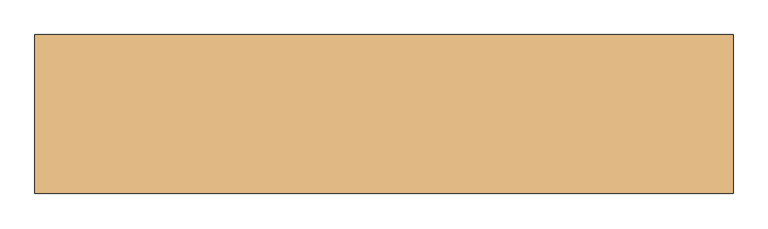
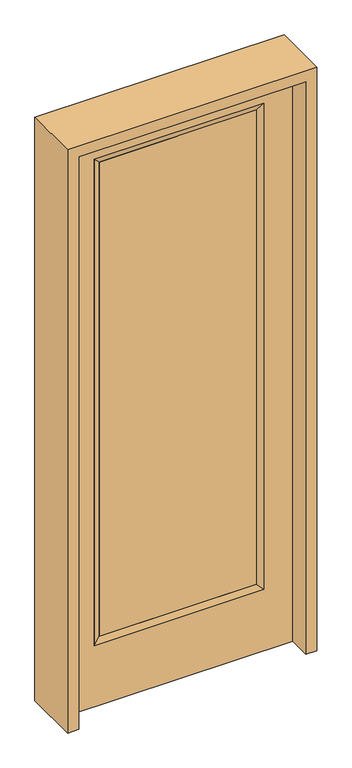
"""IFC4 building model written with IfcOpenShell, lengths in millimetres: door geometry."""

from ifc_helpers import new_model, si_unit, frame, origin, place, context, project, spatial, polyline, outline, extrude, faceted_brep, source, transform, mapped, element, save


def door_4e048239(model_context):
    return source(origin(), model_context, "Body", "SolidModel", [
        extrude(outline(polyline([(316.3824, -12.7039749), (-316.3824, -12.7039749), (-316.3824, 14.2875), (316.3824, 14.2875), (316.3824, -12.7039749)])), frame((0.0, 0.0, 285.75), z_axis=(0.0, 0.0, 1.0), x_axis=(1.0, 0.0, 0.0)), (0.0, 0.0, 1.0), 2019.3),
        faceted_brep([(316.3824, 14.2875, 2305.05), (341.7824, 22.225, 2330.45), (341.7824, 22.225, 260.35), (316.3824, 14.2875, 285.75), (341.7824, -22.225, 2330.45), (341.7824, -22.225, 260.35), (-341.7824, 22.225, 260.35), (-316.3824, 14.2875, 285.75), (316.3824, -12.7039749, 2305.05), (316.3824, -12.7039749, 285.75), (-316.3824, -12.7039749, 285.75), (-341.7824, -22.225, 260.35), (-341.7824, 22.225, 2330.45), (-316.3824, 14.2875, 2305.05), (-316.3824, -12.7039749, 2305.05), (-341.7824, -22.225, 2330.45)], [[[0, 1, 2, 3]], [[1, 4, 5, 2]], [[3, 2, 6, 7]], [[8, 0, 3, 9]], [[9, 3, 7, 10]], [[4, 8, 9, 5]], [[5, 9, 10, 11]], [[2, 5, 11, 6]], [[7, 6, 12, 13]], [[10, 7, 13, 14]], [[11, 10, 14, 15]], [[6, 11, 15, 12]], [[13, 12, 1, 0]], [[14, 13, 0, 8]], [[15, 14, 8, 4]], [[12, 15, 4, 1]]]),
        extrude(outline(polyline([(0.0, -457.2), (0.0, 457.2), (2438.4, 457.2), (2438.4, -457.2), (0.0, -457.2)]), holes=[polyline([(260.35, -341.7824), (2330.45, -341.7824), (2330.45, 341.7824), (260.35, 341.7824), (260.35, -341.7824)])]), frame((0.0, -22.225, 0.0), z_axis=(0.0, 1.0, 0.0), x_axis=(0.0, 0.0, 1.0)), (0.0, 0.0, 1.0), 44.45),
        extrude(outline(polyline([(2482.85, -501.65), (0.0, -501.65), (0.0, -457.2), (2438.4, -457.2), (2438.4, 457.2), (0.0, 457.2), (0.0, 501.65), (2482.85, 501.65), (2482.85, -501.65)])), frame((0.0, -114.3, 0.0), z_axis=(0.0, 1.0, 0.0), x_axis=(0.0, 0.0, 1.0)), (0.0, 0.0, 1.0), 228.6),
    ])


if __name__ == "__main__":
    model = new_model("IFC4")
    model_context = context("Model", 3, world=origin())
    ifc_project = project(units=[si_unit("LENGTHUNIT", "METRE", prefix="MILLI")], contexts=[model_context])
    site = spatial("IfcSite", under=ifc_project)
    building = spatial("IfcBuilding", under=site)
    placement = place(None, origin())
    door_shape = door_4e048239(model_context)
    element("IfcDoor", 1, at=placement, inside=building, context=model_context, shape_type="MappedRepresentation", body=[
        mapped(door_shape, transform((0.0, 0.0, 0.0), x_axis=(1.0, 0.0, 0.0), y_axis=(0.0, 1.0, 0.0), z_axis=(0.0, 0.0, 1.0))),
    ])
    save(model, "model.ifc")
